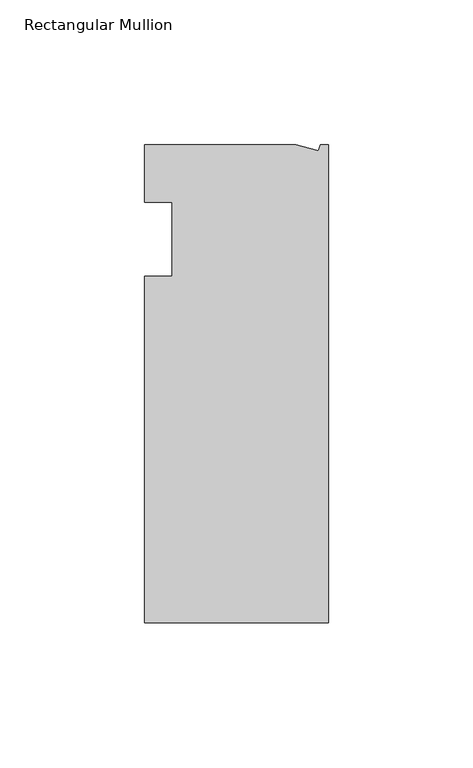
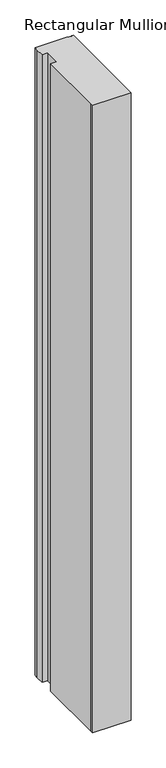
"""IFC4 building model written with IfcOpenShell, lengths in millimetres: member geometry, Rectangular Mullion."""

from ifc_helpers import new_model, si_unit, frame, origin, place, context, project, spatial, polyline, outline, extrude, source, transform, mapped, element, save


def rectangular_mullion_206fa152(model_context):
    return source(origin(), model_context, "Body", "SweptSolid", [
        extrude(outline(polyline([(0.0, -132.5561012), (-63.5, -132.5561012), (-63.5, -126.2061012), (-63.5, -12.8054199), (-53.975, -12.8054199), (-53.975, 12.5945801), (-63.5, 12.5945801), (-63.5, 26.1938988), (-63.5, 32.5438988), (-11.121847, 32.5438988), (-3.3341886, 30.4622958), (-2.7616541, 32.5438988), (0.0, 32.5438988), (0.0, -132.5561012)])), frame((0.0, 0.0, -1093.36492), z_axis=(0.0, 0.0, 1.0), x_axis=(1.0, 0.0, 0.0)), (0.0, 0.0, 1.0), 1093.36492),
    ])


if __name__ == "__main__":
    model = new_model("IFC4")
    model_context = context("Model", 3, world=origin())
    ifc_project = project(units=[si_unit("LENGTHUNIT", "METRE", prefix="MILLI")], contexts=[model_context])
    site = spatial("IfcSite", under=ifc_project)
    building = spatial("IfcBuilding", under=site)
    placement = place(None, origin())
    rectangular_mullion_shape = rectangular_mullion_206fa152(model_context)
    element("IfcMember", 1, ObjectType="Rectangular Mullion", at=placement, inside=building, context=model_context, shape_type="MappedRepresentation", body=[
        mapped(rectangular_mullion_shape, transform((0.0, 0.0, 0.0), x_axis=(1.0, 0.0, 0.0), y_axis=(0.0, 1.0, 0.0), z_axis=(0.0, 0.0, 1.0))),
    ])
    save(model, "model.ifc")
